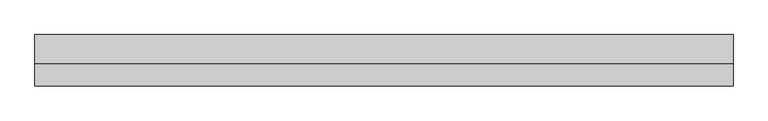
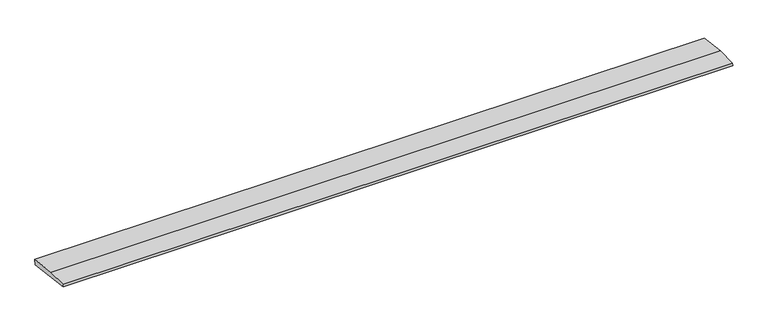
"""IFC4 building model written with IfcOpenShell, lengths in millimetres: beam geometry."""

from ifc_helpers import new_model, si_unit, frame, origin, place, context, project, spatial, polyline, outline, extrude, source, transform, mapped, element, save


def beam_45646a06(model_context):
    return source(origin(), model_context, "Body", "SweptSolid", [
        extrude(outline(polyline([(0.0, -9.143159), (1.1226388, 0.0), (79.0749747, 0.0), (180.9387048, -12.5072934), (178.6231873, -31.3656703), (0.0, -9.143159)])), frame((-1224.7302027, 0.0, 0.0), z_axis=(1.0, 0.0, 0.0), x_axis=(0.0, 1.0, 0.0)), (0.0, 0.0, 1.0), 2449.4604053),
    ])


if __name__ == "__main__":
    model = new_model("IFC4")
    model_context = context("Model", 3, world=origin())
    ifc_project = project(units=[si_unit("LENGTHUNIT", "METRE", prefix="MILLI")], contexts=[model_context])
    site = spatial("IfcSite", under=ifc_project)
    building = spatial("IfcBuilding", under=site)
    placement = place(None, origin())
    beam_shape = beam_45646a06(model_context)
    element("IfcBeam", 1, at=placement, inside=building, context=model_context, shape_type="MappedRepresentation", body=[
        mapped(beam_shape, transform((0.0, 0.0, 0.0), x_axis=(1.0, 0.0, 0.0), y_axis=(0.0, 1.0, 0.0), z_axis=(0.0, 0.0, 1.0))),
    ])
    save(model, "model.ifc")
